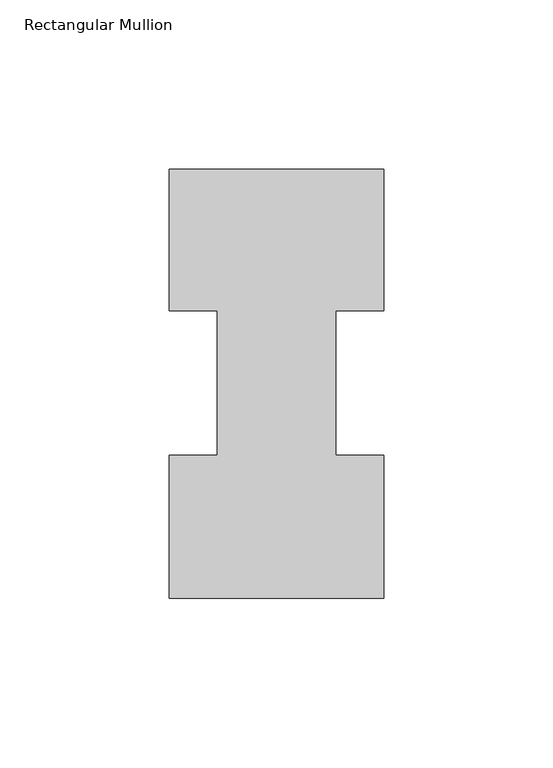
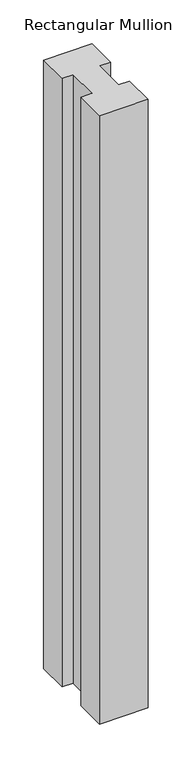
"""IFC4 building model written with IfcOpenShell, lengths in millimetres: member geometry, Rectangular Mullion."""

from ifc_helpers import new_model, si_unit, frame, origin, place, context, project, spatial, polyline, outline, extrude, source, transform, mapped, element, save


def rectangular_mullion_00e8c505(model_context):
    return source(origin(), model_context, "Body", "SweptSolid", [
        extrude(outline(polyline([(31.7494574, 126.9888875), (31.7494574, 85.1296875), (17.5682137, 85.1296875), (17.5682137, 42.2798875), (31.75, 42.2798875), (31.75, -0.0111125), (-31.7494574, -0.0111125), (-31.7494574, 42.2798875), (-17.4644974, 42.2798875), (-17.4644974, 85.1296875), (-31.7494574, 85.1296875), (-31.7494574, 126.9888875), (31.7494574, 126.9888875)])), frame((0.0, 0.0, -844.3102709), z_axis=(0.0, 0.0, 1.0), x_axis=(1.0, 0.0, 0.0)), (0.0, 0.0, 1.0), 844.3102709),
    ])


if __name__ == "__main__":
    model = new_model("IFC4")
    model_context = context("Model", 3, world=origin())
    ifc_project = project(units=[si_unit("LENGTHUNIT", "METRE", prefix="MILLI")], contexts=[model_context])
    site = spatial("IfcSite", under=ifc_project)
    building = spatial("IfcBuilding", under=site)
    placement = place(None, origin())
    rectangular_mullion_shape = rectangular_mullion_00e8c505(model_context)
    element("IfcMember", 1, ObjectType="Rectangular Mullion", at=placement, inside=building, context=model_context, shape_type="MappedRepresentation", body=[
        mapped(rectangular_mullion_shape, transform((0.0, 0.0, 0.0), x_axis=(1.0, 0.0, 0.0), y_axis=(0.0, 1.0, 0.0), z_axis=(0.0, 0.0, 1.0))),
    ])
    save(model, "model.ifc")
